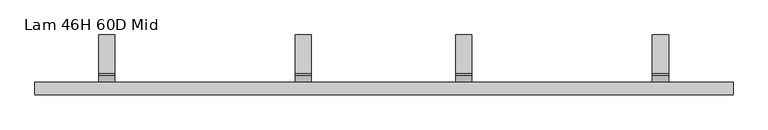
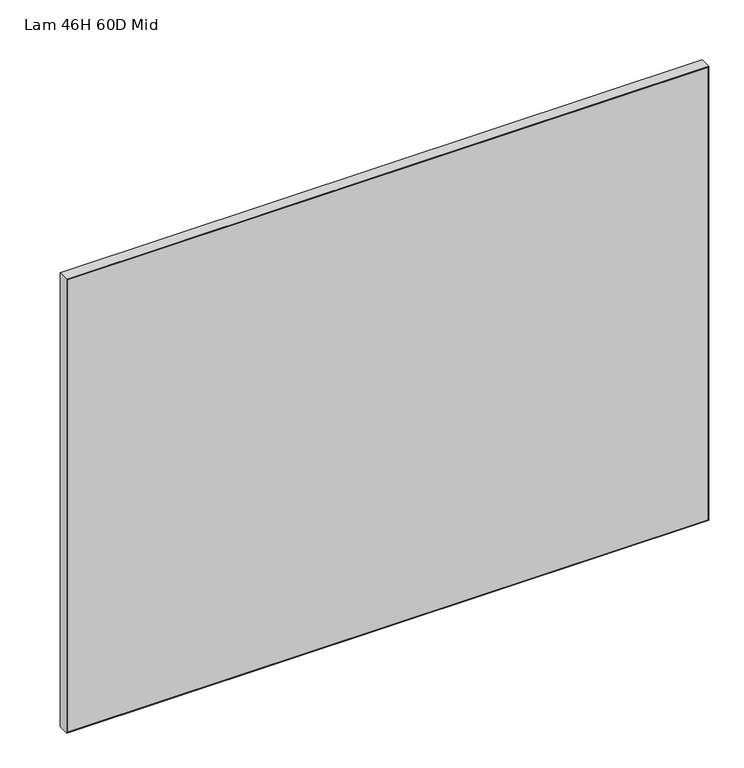
"""IFC4 building model written with IfcOpenShell, lengths in millimetres: furniture geometry, Lam 46H 60D Mid."""

import ifcopenshell
import ifcopenshell.guid

model = None  # the IFC model being written
_history = None  # IfcOwnerHistory: only IFC2X3 demands one
_inside = {}  # id of a spatial element -> (the spatial element, [elements in it])
_under = {}  # id of a project, library or spatial element -> (it, [spatial elements below it])
_declared = {}  # id of a project -> (the project, [libraries it declares])
_typed = {}  # id of a type object -> (the type object, [elements of that type])
_made_of = {}  # id of a material, layer set ... -> (it, [elements and type objects made of it])


def new_model(schema):
    """Start an empty IFC model of exactly this schema.

    Asked for "IFC4X3", IfcOpenShell would pick the latest addendum, in which some entities
    have other attributes; the version numbers below select the first issue.
    IFC2X3 requires an IfcOwnerHistory on every rooted entity: one is made here for all.
    """
    global model, _history
    if schema == "IFC4X3":
        model = ifcopenshell.file(schema_version=(4, 3, 0, 0))
    else:
        model = ifcopenshell.file(schema=schema)
    _inside.clear()
    _under.clear()
    _declared.clear()
    _typed.clear()
    _made_of.clear()
    _history = None
    if model.schema == "IFC2X3":
        org = make("IfcOrganization", Name="unknown")
        user = make(
            "IfcPersonAndOrganization",
            ThePerson=make("IfcPerson", FamilyName="unknown"),
            TheOrganization=org,
        )
        app = make(
            "IfcApplication",
            ApplicationDeveloper=org,
            Version="unknown",
            ApplicationFullName="unknown",
            ApplicationIdentifier="unknown",
        )
        _history = make(
            "IfcOwnerHistory",
            OwningUser=user,
            OwningApplication=app,
            ChangeAction="ADDED",
            CreationDate=0,
        )
    return model


def make(cls, **values):
    """One entity of the class cls with the attributes given. An attribute that is None is left unset."""
    return model.create_entity(
        cls, **{name: value for name, value in values.items() if value is not None}
    )


def rooted(cls, **values):
    """An entity with a GlobalId (a new one), such as an element, a storey or a relation."""
    return make(cls, GlobalId=ifcopenshell.guid.new(), OwnerHistory=_history, **values)


def si_unit(unit_type, name, prefix=None):
    """IfcSIUnit, for example si_unit("LENGTHUNIT", "METRE", prefix="MILLI")."""
    return make("IfcSIUnit", UnitType=unit_type, Prefix=prefix, Name=name)


def assignment(units):
    """IfcUnitAssignment: the units of a project."""
    return None if units is None else make("IfcUnitAssignment", Units=units)


def point(xyz):
    """IfcCartesianPoint."""
    return None if xyz is None else make("IfcCartesianPoint", Coordinates=xyz)


def direction(xyz):
    """IfcDirection."""
    return None if xyz is None else make("IfcDirection", DirectionRatios=xyz)


def frame(location, z_axis=None, x_axis=None):
    """IfcAxis2Placement3D, a coordinate frame: its origin and axes. An axis left out is left unset."""
    return make(
        "IfcAxis2Placement3D",
        Location=point(location),
        Axis=direction(z_axis),
        RefDirection=direction(x_axis),
    )


def origin():
    """The frame at (0, 0, 0) with its axes left unset."""
    return frame((0.0, 0.0, 0.0))


def place(relative_to, where):
    """IfcLocalPlacement: puts the frame where relative to a parent placement (None: the world)."""
    return make(
        "IfcLocalPlacement", PlacementRelTo=relative_to, RelativePlacement=where
    )


def context(
    kind, dimensions, precision=None, world=None, true_north=None, identifier=None
):
    """IfcGeometricRepresentationContext, for example the 3D "Model" context."""
    return make(
        "IfcGeometricRepresentationContext",
        ContextIdentifier=identifier,
        ContextType=kind,
        CoordinateSpaceDimension=dimensions,
        Precision=precision,
        WorldCoordinateSystem=world,
        TrueNorth=true_north,
    )


def project(units=None, contexts=None):
    """IfcProject with its units and contexts."""
    return rooted(
        "IfcProject",
        Name="project",
        RepresentationContexts=contexts,
        UnitsInContext=assignment(units),
    )


def spatial(cls, under=None, at=None, **own):
    """A site, building, storey or space (cls), placed at a placement, below another one or the project."""
    s = rooted(cls, ObjectPlacement=at, **own)
    if under is not None:
        _under.setdefault(under.id(), (under, []))[1].append(s)
    return s


def polyline(points):
    """IfcPolyline through the points."""
    return make("IfcPolyline", Points=[point(p) for p in points])


def circle_curve(where, radius):
    """IfcCircle in the frame where."""
    return make("IfcCircle", Position=where, Radius=radius)


def outline(outer, holes=None, kind="AREA"):
    """IfcArbitraryClosedProfileDef: a profile drawn as a closed curve; with holes, ...WithVoids."""
    if holes is None:
        return make("IfcArbitraryClosedProfileDef", ProfileType=kind, OuterCurve=outer)
    return make(
        "IfcArbitraryProfileDefWithVoids",
        ProfileType=kind,
        OuterCurve=outer,
        InnerCurves=holes,
    )


def extrude(swept, where, along, depth):
    """IfcExtrudedAreaSolid: the profile swept, set in the frame where, extruded along a direction by depth."""
    return make(
        "IfcExtrudedAreaSolid",
        SweptArea=swept,
        Position=where,
        ExtrudedDirection=direction(along),
        Depth=depth,
    )


def shape(context_of_items, identifier, shape_type, items):
    """IfcShapeRepresentation: the items that make up one representation, for example the "Body"."""
    return make(
        "IfcShapeRepresentation",
        ContextOfItems=context_of_items,
        RepresentationIdentifier=identifier,
        RepresentationType=shape_type,
        Items=items,
    )


def source(mapping_origin, context_of_items, identifier, shape_type, items):
    """IfcRepresentationMap: a shape defined once, which mapped items show again and again."""
    return make(
        "IfcRepresentationMap",
        MappingOrigin=mapping_origin,
        MappedRepresentation=shape(context_of_items, identifier, shape_type, items),
    )


def transform(
    local_origin,
    x_axis=None,
    y_axis=None,
    z_axis=None,
    scale=None,
    scale2=None,
    scale3=None,
    uniform=True,
):
    """IfcCartesianTransformationOperator3D, or its non-uniform kind. x_axis, y_axis, z_axis: its Axis1, 2, 3."""
    if uniform:
        return make(
            "IfcCartesianTransformationOperator3D",
            Axis1=direction(x_axis),
            Axis2=direction(y_axis),
            LocalOrigin=point(local_origin),
            Scale=scale,
            Axis3=direction(z_axis),
        )
    return make(
        "IfcCartesianTransformationOperator3DnonUniform",
        Axis1=direction(x_axis),
        Axis2=direction(y_axis),
        LocalOrigin=point(local_origin),
        Scale=scale,
        Axis3=direction(z_axis),
        Scale2=scale2,
        Scale3=scale3,
    )


def mapped(mapping_source, mapping_target):
    """IfcMappedItem: shows the shape of a source again, moved by a transform."""
    return make(
        "IfcMappedItem", MappingSource=mapping_source, MappingTarget=mapping_target
    )


def made_of(thing, what):
    """Note that an element or type object is made of a material, layer set ...; save() writes the relation."""
    if what is not None:
        _made_of.setdefault(what.id(), (what, []))[1].append(thing)
    return thing


def element(
    cls,
    number,
    at=None,
    inside=None,
    cuts=None,
    type_object=None,
    material=None,
    context=None,
    identifier="Body",
    shape_type=None,
    held_by="IfcProductDefinitionShape",
    body=None,
    shapes=None,
    **own,
):
    """One element of the class cls, such as IfcWall. Its Tag is "e" and its number.

    at: its placement. inside: the storey or other place that contains it. cuts: it is an
    opening in that element (IfcRelVoidsElement). A single representation is given by context,
    identifier, shape_type and body (its items); several are given by shapes. held_by: the class
    of the entity that holds the representations. save() writes the other relations.
    """
    e = rooted(cls, Tag="e%d" % number, ObjectPlacement=at, **own)
    if body is not None:
        shapes = [shape(context, identifier, shape_type, body)]
    if shapes is not None:
        e.Representation = make(held_by, Representations=shapes)
    if inside is not None:
        _inside.setdefault(inside.id(), (inside, []))[1].append(e)
    if cuts is not None:
        rooted(
            "IfcRelVoidsElement", RelatingBuildingElement=cuts, RelatedOpeningElement=e
        )
    if type_object is not None:
        _typed.setdefault(type_object.id(), (type_object, []))[1].append(e)
    return made_of(e, material)


def aggregate(whole, parts):
    """IfcRelAggregates: a whole, such as a stair, and the parts it consists of."""
    return rooted("IfcRelAggregates", RelatingObject=whole, RelatedObjects=parts)


def save(model, path):
    """Write the relations noted so far, then the file.

    IfcRelAggregates (storeys below a building ...), IfcRelContainedInSpatialStructure (elements
    in a storey), IfcRelDefinesByType, IfcRelAssociatesMaterial and IfcRelDeclares: one each for
    every whole, place, type object, material and project.
    """
    for whole, parts in _under.values():
        aggregate(whole, parts)
    for where, things in _inside.values():
        rooted(
            "IfcRelContainedInSpatialStructure",
            RelatedElements=things,
            RelatingStructure=where,
        )
    for kind, things in _typed.values():
        rooted("IfcRelDefinesByType", RelatedObjects=things, RelatingType=kind)
    for what, things in _made_of.values():
        rooted("IfcRelAssociatesMaterial", RelatedObjects=things, RelatingMaterial=what)
    for by, libraries in _declared.values():
        rooted("IfcRelDeclares", RelatingContext=by, RelatedDefinitions=libraries)
    model.write(path)


def plane_surface(at):
    """IfcPlane: the flat surface through the origin of the frame at, square to its z axis."""
    return make("IfcPlane", Position=at)


def cylinder_surface(at, radius):
    """IfcCylindricalSurface: all points at the distance radius from the z axis of the frame at."""
    return make("IfcCylindricalSurface", Position=at, Radius=radius)


def revolved_surface(curve, axis_point, axis_direction):
    """IfcSurfaceOfRevolution: the curve turned about the line through axis_point along axis_direction."""
    return make(
        "IfcSurfaceOfRevolution",
        SweptCurve=make("IfcArbitraryOpenProfileDef", ProfileType="CURVE", Curve=curve),
        AxisPosition=make("IfcAxis1Placement", Location=point(axis_point), Axis=direction(axis_direction)),
    )


def advanced_brep(points, edges, surfaces, faces):
    """IfcAdvancedBrep: a solid bounded by faces that lie on surfaces and meet in shared edges.

    An edge is (start, end): straight between two places in points (the first is 0);
    or (start, end, curve); or (start, end, curve, False) where it runs against its curve.
    A face is (place in surfaces, loops), or (place, loops, False) where it looks against
    its surface's normal. A loop lists edges by number (the first is 1), with a minus sign
    where the edge is run from its end to its start. The first loop is the outer one.
    """
    corners = [point(p) for p in points]
    vertices = [make("IfcVertexPoint", VertexGeometry=c) for c in corners]
    made = []
    for start, end, *more in edges:
        made.append(
            make(
                "IfcEdgeCurve",
                EdgeStart=vertices[start],
                EdgeEnd=vertices[end],
                EdgeGeometry=more[0] if more else make("IfcPolyline", Points=[corners[start], corners[end]]),
                SameSense=more[1] if len(more) > 1 else True,
            )
        )
    hull = []
    for where, loops, *sense in faces:
        bounds = []
        for j, loop in enumerate(loops):
            ring = [make("IfcOrientedEdge", EdgeElement=made[abs(k) - 1], Orientation=k > 0) for k in loop]
            bounds.append(
                make(
                    "IfcFaceOuterBound" if j == 0 else "IfcFaceBound",
                    Bound=make("IfcEdgeLoop", EdgeList=ring),
                    Orientation=True,
                )
            )
        hull.append(make("IfcAdvancedFace", Bounds=bounds, FaceSurface=surfaces[where], SameSense=sense[0] if sense else True))
    return make("IfcAdvancedBrep", Outer=make("IfcClosedShell", CfsFaces=hull))


def lam_46h_60d_mid_48277195(model_context):
    return source(origin(), model_context, "Body", "SolidModel", [
        advanced_brep(
        [(-157.6695087, 3.1005365, 621.4122963), (-157.6695087, 17.9486513, 647.1299785), (-157.6695087, 20.0496387, 648.342984), (-157.6695087, 103.1999902, 648.342984), (-157.6695087, 103.1999902, 651.0029961), (-157.6695087, 20.2944088, 651.0029961), (-157.6695087, 15.5226447, 648.2480172), (-157.6695087, 0.6287378, 622.4510214), (-157.6695087, 0.0, 620.1045406), (-157.6695087, 0.0, 582.522256), (-157.6695087, 2.6599881, 582.522256), (-157.6695087, 2.6599881, 619.7681476), (-192.6695072, 3.1005365, 621.4122963), (-192.6695072, 2.6599881, 619.7681476), (-192.6695072, 2.6599881, 582.522256), (-192.6695072, 0.0, 582.522256), (-192.6695072, 0.0, 620.1045406), (-192.6695072, 0.6287378, 622.4510214), (-192.6695072, 15.5226447, 648.2480172), (-192.6695072, 20.2944088, 651.0029961), (-192.6695072, 103.1999902, 651.0029961), (-192.6695072, 103.1999902, 648.342984), (-192.6695072, 20.0496387, 648.342984), (-192.6695072, 17.9486513, 647.1299785)],
        [
            (0, 1),
            (1, 2, circle_curve(frame((-157.6695087, 20.0496387, 645.9169725), z_axis=(-1.0, 0.0, 0.0), x_axis=(0.0, 1.0, 0.0)), 2.4260115)),
            (2, 3),
            (3, 4),
            (4, 5),
            (5, 6, circle_curve(frame((-157.6695087, 20.2944088, 645.493037), z_axis=(1.0, 0.0, 0.0), x_axis=(0.0, 1.0, 0.0)), 5.509959)),
            (6, 7),
            (7, 8, circle_curve(frame((-157.6695087, 4.6929606, 620.1045406), z_axis=(1.0, 0.0, 0.0), x_axis=(0.0, 1.0, 0.0)), 4.6929606)),
            (8, 9),
            (9, 10),
            (10, 11),
            (11, 0, circle_curve(frame((-157.6695087, 5.9482846, 619.7681476), z_axis=(-1.0, 0.0, 0.0), x_axis=(0.0, 1.0, 0.0)), 3.2882966)),
            (12, 13, circle_curve(frame((-192.6695072, 5.9482846, 619.7681476), z_axis=(1.0, 0.0, 0.0), x_axis=(0.0, 1.0, 0.0)), 3.2882966)),
            (13, 14),
            (14, 15),
            (15, 16),
            (16, 17, circle_curve(frame((-192.6695072, 4.6929606, 620.1045406), z_axis=(-1.0, 0.0, 0.0), x_axis=(0.0, 1.0, 0.0)), 4.6929606)),
            (17, 18),
            (18, 19, circle_curve(frame((-192.6695072, 20.2944088, 645.493037), z_axis=(-1.0, 0.0, 0.0), x_axis=(0.0, 1.0, 0.0)), 5.509959)),
            (19, 20),
            (20, 21),
            (21, 22),
            (22, 23, circle_curve(frame((-192.6695072, 20.0496387, 645.9169725), z_axis=(1.0, 0.0, 0.0), x_axis=(0.0, 1.0, 0.0)), 2.4260115)),
            (23, 12),
            (0, 12),
            (23, 1),
            (22, 2),
            (21, 3),
            (20, 4),
            (19, 5),
            (18, 6),
            (17, 7),
            (16, 8),
            (15, 9, circle_curve(frame((-175.169508, 0.0, 582.522256), z_axis=(0.0, -1.0, 0.0), x_axis=(1.0, 0.0, 0.0)), 17.4999992)),
            (13, 11),
            (10, 14, circle_curve(frame((-175.169508, 2.6599881, 582.522256), z_axis=(0.0, 1.0, 0.0), x_axis=(1.0, 0.0, 0.0)), 17.4999992)),
        ],
        [
            plane_surface(frame((-157.6695087, 17.9734882, 647.1729973), z_axis=(1.0000000000000002, 0.0, 0.0), x_axis=(0.0, 0.5000001014675702, 0.8660253452021018))),
            plane_surface(frame((-192.6695072, 17.9734882, 647.1729973), z_axis=(-1.0000000000000002, 0.0, 0.0), x_axis=(0.0, -0.5000001014675702, -0.8660253452021018))),
            plane_surface(frame((-157.6695087, 3.1005365, 621.4122963), z_axis=(0.0, 0.8660253452021018, -0.5000001014675702), x_axis=(-1.0, 0.0, 0.0))),
            revolved_surface(polyline([(-192.6695072, 22.4756502, 645.9169725), (-157.6695087, 22.4756502, 645.9169725)]), (-192.6695072, 20.0496387, 645.9169725), (-1.0, 0.0, 0.0)),
            plane_surface(frame((-157.6695087, 20.0496387, 648.342984), z_axis=(0.0, 0.0, -1.0), x_axis=(-1.0, 0.0, 0.0))),
            plane_surface(frame((-157.6695087, 103.1999902, 648.342984), z_axis=(0.0, 1.0, 0.0), x_axis=(-1.0, 0.0, 0.0))),
            plane_surface(frame((-157.6695087, 103.1999902, 651.0029961), z_axis=(0.0, 0.0, 1.0), x_axis=(-1.0, 0.0, 0.0))),
            cylinder_surface(frame((-192.6695072, 20.2944088, 645.493037), z_axis=(1.0, 0.0, 0.0), x_axis=(0.0, 1.0, 0.0)), 5.509959),
            plane_surface(frame((-157.6695087, 15.5226447, 648.2480172), z_axis=(0.0, -0.8660253393122759, 0.500000111669045), x_axis=(-1.0, 0.0, 0.0))),
            cylinder_surface(frame((-192.6695072, 4.6929606, 620.1045406), z_axis=(1.0, 0.0, 0.0), x_axis=(0.0, 1.0, 0.0)), 4.6929606),
            plane_surface(frame((-157.6695087, 0.0, 620.1045406), z_axis=(0.0, -1.0, 0.0), x_axis=(-1.0, 0.0, 0.0))),
            plane_surface(frame((-157.6695087, 2.6599881, 565.0222341), z_axis=(0.0, 1.0, 0.0), x_axis=(-1.0, 0.0, 0.0))),
            revolved_surface(polyline([(-192.6695072, 9.2365812, 619.7681476), (-157.6695087, 9.2365812, 619.7681476)]), (-192.6695072, 5.9482846, 619.7681476), (-1.0, 0.0, 0.0)),
            cylinder_surface(frame((-175.169508, 3.1750001, 582.522256), z_axis=(0.0, 1.0, 0.0), x_axis=(1.0, 0.0, 0.0)), 17.4999992),
        ],
        [
            (0, [[1, 2, 3, 4, 5, 6, 7, 8, 9, 10, 11, 12]]),
            (1, [[13, 14, 15, 16, 17, 18, 19, 20, 21, 22, 23, 24]]),
            (2, [[-1, 25, -24, 26]]),
            (3, [[-2, -26, -23, 27]]),
            (4, [[-3, -27, -22, 28]]),
            (5, [[-4, -28, -21, 29]]),
            (6, [[-5, -29, -20, 30]]),
            (7, [[-6, -30, -19, 31]]),
            (8, [[-7, -31, -18, 32]]),
            (9, [[-8, -32, -17, 33]]),
            (10, [[-33, -16, 34, -9]]),
            (11, [[35, -11, 36, -14]]),
            (12, [[-12, -35, -13, -25]]),
            (13, [[-10, -34, -15, -36]]),
        ],
    ),
        advanced_brep(
        [(190.9931097, 3.1005365, 621.4122963), (190.9931097, 17.9486513, 647.1299785), (190.9931097, 20.0496387, 648.342984), (190.9931097, 103.1999902, 648.342984), (190.9931097, 103.1999902, 651.0029961), (190.9931097, 20.2944088, 651.0029961), (190.9931097, 15.5226447, 648.2480172), (190.9931097, 0.6287378, 622.4510214), (190.9931097, 0.0, 620.1045406), (190.9931097, 0.0, 582.522256), (190.9931097, 2.6599881, 582.522256), (190.9931097, 2.6599881, 619.7681476), (155.9931112, 3.1005365, 621.4122963), (155.9931112, 2.6599881, 619.7681476), (155.9931112, 2.6599881, 582.522256), (155.9931112, 0.0, 582.522256), (155.9931112, 0.0, 620.1045406), (155.9931112, 0.6287378, 622.4510214), (155.9931112, 15.5226447, 648.2480172), (155.9931112, 20.2944088, 651.0029961), (155.9931112, 103.1999902, 651.0029961), (155.9931112, 103.1999902, 648.342984), (155.9931112, 20.0496387, 648.342984), (155.9931112, 17.9486513, 647.1299785)],
        [
            (0, 1),
            (1, 2, circle_curve(frame((190.9931097, 20.0496387, 645.9169725), z_axis=(-1.0, 0.0, 0.0), x_axis=(0.0, 1.0, 0.0)), 2.4260115)),
            (2, 3),
            (3, 4),
            (4, 5),
            (5, 6, circle_curve(frame((190.9931097, 20.2944088, 645.493037), z_axis=(1.0, 0.0, 0.0), x_axis=(0.0, 1.0, 0.0)), 5.509959)),
            (6, 7),
            (7, 8, circle_curve(frame((190.9931097, 4.6929606, 620.1045406), z_axis=(1.0, 0.0, 0.0), x_axis=(0.0, 1.0, 0.0)), 4.6929606)),
            (8, 9),
            (9, 10),
            (10, 11),
            (11, 0, circle_curve(frame((190.9931097, 5.9482846, 619.7681476), z_axis=(-1.0, 0.0, 0.0), x_axis=(0.0, 1.0, 0.0)), 3.2882966)),
            (12, 13, circle_curve(frame((155.9931112, 5.9482846, 619.7681476), z_axis=(1.0, 0.0, 0.0), x_axis=(0.0, 1.0, 0.0)), 3.2882966)),
            (13, 14),
            (14, 15),
            (15, 16),
            (16, 17, circle_curve(frame((155.9931112, 4.6929606, 620.1045406), z_axis=(-1.0, 0.0, 0.0), x_axis=(0.0, 1.0, 0.0)), 4.6929606)),
            (17, 18),
            (18, 19, circle_curve(frame((155.9931112, 20.2944088, 645.493037), z_axis=(-1.0, 0.0, 0.0), x_axis=(0.0, 1.0, 0.0)), 5.509959)),
            (19, 20),
            (20, 21),
            (21, 22),
            (22, 23, circle_curve(frame((155.9931112, 20.0496387, 645.9169725), z_axis=(1.0, 0.0, 0.0), x_axis=(0.0, 1.0, 0.0)), 2.4260115)),
            (23, 12),
            (0, 12),
            (23, 1),
            (22, 2),
            (21, 3),
            (20, 4),
            (19, 5),
            (18, 6),
            (17, 7),
            (16, 8),
            (15, 9, circle_curve(frame((173.4931105, 0.0, 582.522256), z_axis=(0.0, -1.0, 0.0), x_axis=(1.0, 0.0, 0.0)), 17.4999992)),
            (13, 11),
            (10, 14, circle_curve(frame((173.4931105, 2.6599881, 582.522256), z_axis=(0.0, 1.0, 0.0), x_axis=(1.0, 0.0, 0.0)), 17.4999992)),
        ],
        [
            plane_surface(frame((190.9931097, 17.9734882, 647.1729973), z_axis=(1.0000000000000002, 0.0, 0.0), x_axis=(0.0, 0.5000001014675702, 0.8660253452021018))),
            plane_surface(frame((155.9931112, 17.9734882, 647.1729973), z_axis=(-1.0000000000000002, 0.0, 0.0), x_axis=(0.0, -0.5000001014675702, -0.8660253452021018))),
            plane_surface(frame((190.9931097, 3.1005365, 621.4122963), z_axis=(0.0, 0.8660253452021018, -0.5000001014675702), x_axis=(-1.0, 0.0, 0.0))),
            revolved_surface(polyline([(155.9931112, 22.4756502, 645.9169725), (190.9931097, 22.4756502, 645.9169725)]), (155.9931112, 20.0496387, 645.9169725), (-1.0, 0.0, 0.0)),
            plane_surface(frame((190.9931097, 20.0496387, 648.342984), z_axis=(0.0, 0.0, -1.0), x_axis=(-1.0, 0.0, 0.0))),
            plane_surface(frame((190.9931097, 103.1999902, 648.342984), z_axis=(0.0, 1.0, 0.0), x_axis=(-1.0, 0.0, 0.0))),
            plane_surface(frame((190.9931097, 103.1999902, 651.0029961), z_axis=(0.0, 0.0, 1.0), x_axis=(-1.0, 0.0, 0.0))),
            cylinder_surface(frame((155.9931112, 20.2944088, 645.493037), z_axis=(1.0, 0.0, 0.0), x_axis=(0.0, 1.0, 0.0)), 5.509959),
            plane_surface(frame((190.9931097, 15.5226447, 648.2480172), z_axis=(0.0, -0.8660253393122759, 0.500000111669045), x_axis=(-1.0, 0.0, 0.0))),
            cylinder_surface(frame((155.9931112, 4.6929606, 620.1045406), z_axis=(1.0, 0.0, 0.0), x_axis=(0.0, 1.0, 0.0)), 4.6929606),
            plane_surface(frame((190.9931097, 0.0, 620.1045406), z_axis=(0.0, -1.0, 0.0), x_axis=(-1.0, 0.0, 0.0))),
            plane_surface(frame((190.9931097, 2.6599881, 565.0222341), z_axis=(0.0, 1.0, 0.0), x_axis=(-1.0, 0.0, 0.0))),
            revolved_surface(polyline([(155.9931112, 9.2365812, 619.7681476), (190.9931097, 9.2365812, 619.7681476)]), (155.9931112, 5.9482846, 619.7681476), (-1.0, 0.0, 0.0)),
            cylinder_surface(frame((173.4931105, 3.1750001, 582.522256), z_axis=(0.0, 1.0, 0.0), x_axis=(1.0, 0.0, 0.0)), 17.4999992),
        ],
        [
            (0, [[1, 2, 3, 4, 5, 6, 7, 8, 9, 10, 11, 12]]),
            (1, [[13, 14, 15, 16, 17, 18, 19, 20, 21, 22, 23, 24]]),
            (2, [[-1, 25, -24, 26]]),
            (3, [[-2, -26, -23, 27]]),
            (4, [[-3, -27, -22, 28]]),
            (5, [[-4, -28, -21, 29]]),
            (6, [[-5, -29, -20, 30]]),
            (7, [[-6, -30, -19, 31]]),
            (8, [[-7, -31, -18, 32]]),
            (9, [[-8, -32, -17, 33]]),
            (10, [[-33, -16, 34, -9]]),
            (11, [[35, -11, 36, -14]]),
            (12, [[-12, -35, -13, -25]]),
            (13, [[-10, -34, -15, -36]]),
        ],
    ),
        advanced_brep(
        [(618.6021097, 3.1005365, 621.4122963), (618.6021097, 17.9486513, 647.1299785), (618.6021097, 20.0496387, 648.342984), (618.6021097, 103.1999902, 648.342984), (618.6021097, 103.1999902, 651.0029961), (618.6021097, 20.2944088, 651.0029961), (618.6021097, 15.5226447, 648.2480172), (618.6021097, 0.6287378, 622.4510214), (618.6021097, 0.0, 620.1045406), (618.6021097, 0.0, 582.522256), (618.6021097, 2.6599881, 582.522256), (618.6021097, 2.6599881, 619.7681476), (583.6021112, 3.1005365, 621.4122963), (583.6021112, 2.6599881, 619.7681476), (583.6021112, 2.6599881, 582.522256), (583.6021112, 0.0, 582.522256), (583.6021112, 0.0, 620.1045406), (583.6021112, 0.6287378, 622.4510214), (583.6021112, 15.5226447, 648.2480172), (583.6021112, 20.2944088, 651.0029961), (583.6021112, 103.1999902, 651.0029961), (583.6021112, 103.1999902, 648.342984), (583.6021112, 20.0496387, 648.342984), (583.6021112, 17.9486513, 647.1299785)],
        [
            (0, 1),
            (1, 2, circle_curve(frame((618.6021097, 20.0496387, 645.9169725), z_axis=(-1.0, 0.0, 0.0), x_axis=(0.0, 1.0, 0.0)), 2.4260115)),
            (2, 3),
            (3, 4),
            (4, 5),
            (5, 6, circle_curve(frame((618.6021097, 20.2944088, 645.493037), z_axis=(1.0, 0.0, 0.0), x_axis=(0.0, 1.0, 0.0)), 5.509959)),
            (6, 7),
            (7, 8, circle_curve(frame((618.6021097, 4.6929606, 620.1045406), z_axis=(1.0, 0.0, 0.0), x_axis=(0.0, 1.0, 0.0)), 4.6929606)),
            (8, 9),
            (9, 10),
            (10, 11),
            (11, 0, circle_curve(frame((618.6021097, 5.9482846, 619.7681476), z_axis=(-1.0, 0.0, 0.0), x_axis=(0.0, 1.0, 0.0)), 3.2882966)),
            (12, 13, circle_curve(frame((583.6021112, 5.9482846, 619.7681476), z_axis=(1.0, 0.0, 0.0), x_axis=(0.0, 1.0, 0.0)), 3.2882966)),
            (13, 14),
            (14, 15),
            (15, 16),
            (16, 17, circle_curve(frame((583.6021112, 4.6929606, 620.1045406), z_axis=(-1.0, 0.0, 0.0), x_axis=(0.0, 1.0, 0.0)), 4.6929606)),
            (17, 18),
            (18, 19, circle_curve(frame((583.6021112, 20.2944088, 645.493037), z_axis=(-1.0, 0.0, 0.0), x_axis=(0.0, 1.0, 0.0)), 5.509959)),
            (19, 20),
            (20, 21),
            (21, 22),
            (22, 23, circle_curve(frame((583.6021112, 20.0496387, 645.9169725), z_axis=(1.0, 0.0, 0.0), x_axis=(0.0, 1.0, 0.0)), 2.4260115)),
            (23, 12),
            (0, 12),
            (23, 1),
            (22, 2),
            (21, 3),
            (20, 4),
            (19, 5),
            (18, 6),
            (17, 7),
            (16, 8),
            (15, 9, circle_curve(frame((601.1021105, 0.0, 582.522256), z_axis=(0.0, -1.0, 0.0), x_axis=(1.0, 0.0, 0.0)), 17.4999992)),
            (13, 11),
            (10, 14, circle_curve(frame((601.1021105, 2.6599881, 582.522256), z_axis=(0.0, 1.0, 0.0), x_axis=(1.0, 0.0, 0.0)), 17.4999992)),
        ],
        [
            plane_surface(frame((618.6021097, 17.9734882, 647.1729973), z_axis=(1.0000000000000002, 0.0, 0.0), x_axis=(0.0, 0.5000001014675702, 0.8660253452021018))),
            plane_surface(frame((583.6021112, 17.9734882, 647.1729973), z_axis=(-1.0000000000000002, 0.0, 0.0), x_axis=(0.0, -0.5000001014675702, -0.8660253452021018))),
            plane_surface(frame((618.6021097, 3.1005365, 621.4122963), z_axis=(0.0, 0.8660253452021018, -0.5000001014675702), x_axis=(-1.0, 0.0, 0.0))),
            revolved_surface(polyline([(583.6021112, 22.4756502, 645.9169725), (618.6021097, 22.4756502, 645.9169725)]), (583.6021112, 20.0496387, 645.9169725), (-1.0, 0.0, 0.0)),
            plane_surface(frame((618.6021097, 20.0496387, 648.342984), z_axis=(0.0, 0.0, -1.0), x_axis=(-1.0, 0.0, 0.0))),
            plane_surface(frame((618.6021097, 103.1999902, 648.342984), z_axis=(0.0, 1.0, 0.0), x_axis=(-1.0, 0.0, 0.0))),
            plane_surface(frame((618.6021097, 103.1999902, 651.0029961), z_axis=(0.0, 0.0, 1.0), x_axis=(-1.0, 0.0, 0.0))),
            cylinder_surface(frame((583.6021112, 20.2944088, 645.493037), z_axis=(1.0, 0.0, 0.0), x_axis=(0.0, 1.0, 0.0)), 5.509959),
            plane_surface(frame((618.6021097, 15.5226447, 648.2480172), z_axis=(0.0, -0.8660253393122759, 0.500000111669045), x_axis=(-1.0, 0.0, 0.0))),
            cylinder_surface(frame((583.6021112, 4.6929606, 620.1045406), z_axis=(1.0, 0.0, 0.0), x_axis=(0.0, 1.0, 0.0)), 4.6929606),
            plane_surface(frame((618.6021097, 0.0, 620.1045406), z_axis=(0.0, -1.0, 0.0), x_axis=(-1.0, 0.0, 0.0))),
            plane_surface(frame((618.6021097, 2.6599881, 565.0222341), z_axis=(0.0, 1.0, 0.0), x_axis=(-1.0, 0.0, 0.0))),
            revolved_surface(polyline([(583.6021112, 9.2365812, 619.7681476), (618.6021097, 9.2365812, 619.7681476)]), (583.6021112, 5.9482846, 619.7681476), (-1.0, 0.0, 0.0)),
            cylinder_surface(frame((601.1021105, 3.1750001, 582.522256), z_axis=(0.0, 1.0, 0.0), x_axis=(1.0, 0.0, 0.0)), 17.4999992),
        ],
        [
            (0, [[1, 2, 3, 4, 5, 6, 7, 8, 9, 10, 11, 12]]),
            (1, [[13, 14, 15, 16, 17, 18, 19, 20, 21, 22, 23, 24]]),
            (2, [[-1, 25, -24, 26]]),
            (3, [[-2, -26, -23, 27]]),
            (4, [[-3, -27, -22, 28]]),
            (5, [[-4, -28, -21, 29]]),
            (6, [[-5, -29, -20, 30]]),
            (7, [[-6, -30, -19, 31]]),
            (8, [[-7, -31, -18, 32]]),
            (9, [[-8, -32, -17, 33]]),
            (10, [[-33, -16, 34, -9]]),
            (11, [[35, -11, 36, -14]]),
            (12, [[-12, -35, -13, -25]]),
            (13, [[-10, -34, -15, -36]]),
        ],
    ),
        advanced_brep(
        [(-585.2785087, 3.1005365, 621.4122963), (-585.2785087, 17.9486513, 647.1299785), (-585.2785087, 20.0496387, 648.342984), (-585.2785087, 103.1999902, 648.342984), (-585.2785087, 103.1999902, 651.0029961), (-585.2785087, 20.2944088, 651.0029961), (-585.2785087, 15.5226447, 648.2480172), (-585.2785087, 0.6287378, 622.4510214), (-585.2785087, 0.0, 620.1045406), (-585.2785087, 0.0, 582.522256), (-585.2785087, 2.6599881, 582.522256), (-585.2785087, 2.6599881, 619.7681476), (-620.2785072, 3.1005365, 621.4122963), (-620.2785072, 2.6599881, 619.7681476), (-620.2785072, 2.6599881, 582.522256), (-620.2785072, 0.0, 582.522256), (-620.2785072, 0.0, 620.1045406), (-620.2785072, 0.6287378, 622.4510214), (-620.2785072, 15.5226447, 648.2480172), (-620.2785072, 20.2944088, 651.0029961), (-620.2785072, 103.1999902, 651.0029961), (-620.2785072, 103.1999902, 648.342984), (-620.2785072, 20.0496387, 648.342984), (-620.2785072, 17.9486513, 647.1299785)],
        [
            (0, 1),
            (1, 2, circle_curve(frame((-585.2785087, 20.0496387, 645.9169725), z_axis=(-1.0, 0.0, 0.0), x_axis=(0.0, 1.0, 0.0)), 2.4260115)),
            (2, 3),
            (3, 4),
            (4, 5),
            (5, 6, circle_curve(frame((-585.2785087, 20.2944088, 645.493037), z_axis=(1.0, 0.0, 0.0), x_axis=(0.0, 1.0, 0.0)), 5.509959)),
            (6, 7),
            (7, 8, circle_curve(frame((-585.2785087, 4.6929606, 620.1045406), z_axis=(1.0, 0.0, 0.0), x_axis=(0.0, 1.0, 0.0)), 4.6929606)),
            (8, 9),
            (9, 10),
            (10, 11),
            (11, 0, circle_curve(frame((-585.2785087, 5.9482846, 619.7681476), z_axis=(-1.0, 0.0, 0.0), x_axis=(0.0, 1.0, 0.0)), 3.2882966)),
            (12, 13, circle_curve(frame((-620.2785072, 5.9482846, 619.7681476), z_axis=(1.0, 0.0, 0.0), x_axis=(0.0, 1.0, 0.0)), 3.2882966)),
            (13, 14),
            (14, 15),
            (15, 16),
            (16, 17, circle_curve(frame((-620.2785072, 4.6929606, 620.1045406), z_axis=(-1.0, 0.0, 0.0), x_axis=(0.0, 1.0, 0.0)), 4.6929606)),
            (17, 18),
            (18, 19, circle_curve(frame((-620.2785072, 20.2944088, 645.493037), z_axis=(-1.0, 0.0, 0.0), x_axis=(0.0, 1.0, 0.0)), 5.509959)),
            (19, 20),
            (20, 21),
            (21, 22),
            (22, 23, circle_curve(frame((-620.2785072, 20.0496387, 645.9169725), z_axis=(1.0, 0.0, 0.0), x_axis=(0.0, 1.0, 0.0)), 2.4260115)),
            (23, 12),
            (0, 12),
            (23, 1),
            (22, 2),
            (21, 3),
            (20, 4),
            (19, 5),
            (18, 6),
            (17, 7),
            (16, 8),
            (15, 9, circle_curve(frame((-602.778508, 0.0, 582.522256), z_axis=(0.0, -1.0, 0.0), x_axis=(1.0, 0.0, 0.0)), 17.4999992)),
            (13, 11),
            (10, 14, circle_curve(frame((-602.778508, 2.6599881, 582.522256), z_axis=(0.0, 1.0, 0.0), x_axis=(1.0, 0.0, 0.0)), 17.4999992)),
        ],
        [
            plane_surface(frame((-585.2785087, 17.9734882, 647.1729973), z_axis=(1.0000000000000002, 0.0, 0.0), x_axis=(0.0, 0.5000001014675702, 0.8660253452021018))),
            plane_surface(frame((-620.2785072, 17.9734882, 647.1729973), z_axis=(-1.0000000000000002, 0.0, 0.0), x_axis=(0.0, -0.5000001014675702, -0.8660253452021018))),
            plane_surface(frame((-585.2785087, 3.1005365, 621.4122963), z_axis=(0.0, 0.8660253452021018, -0.5000001014675702), x_axis=(-1.0, 0.0, 0.0))),
            revolved_surface(polyline([(-620.2785072, 22.4756502, 645.9169725), (-585.2785087, 22.4756502, 645.9169725)]), (-620.2785072, 20.0496387, 645.9169725), (-1.0, 0.0, 0.0)),
            plane_surface(frame((-585.2785087, 20.0496387, 648.342984), z_axis=(0.0, 0.0, -1.0), x_axis=(-1.0, 0.0, 0.0))),
            plane_surface(frame((-585.2785087, 103.1999902, 648.342984), z_axis=(0.0, 1.0, 0.0), x_axis=(-1.0, 0.0, 0.0))),
            plane_surface(frame((-585.2785087, 103.1999902, 651.0029961), z_axis=(0.0, 0.0, 1.0), x_axis=(-1.0, 0.0, 0.0))),
            cylinder_surface(frame((-620.2785072, 20.2944088, 645.493037), z_axis=(1.0, 0.0, 0.0), x_axis=(0.0, 1.0, 0.0)), 5.509959),
            plane_surface(frame((-585.2785087, 15.5226447, 648.2480172), z_axis=(0.0, -0.8660253393122759, 0.500000111669045), x_axis=(-1.0, 0.0, 0.0))),
            cylinder_surface(frame((-620.2785072, 4.6929606, 620.1045406), z_axis=(1.0, 0.0, 0.0), x_axis=(0.0, 1.0, 0.0)), 4.6929606),
            plane_surface(frame((-585.2785087, 0.0, 620.1045406), z_axis=(0.0, -1.0, 0.0), x_axis=(-1.0, 0.0, 0.0))),
            plane_surface(frame((-585.2785087, 2.6599881, 565.0222341), z_axis=(0.0, 1.0, 0.0), x_axis=(-1.0, 0.0, 0.0))),
            revolved_surface(polyline([(-620.2785072, 9.2365812, 619.7681476), (-585.2785087, 9.2365812, 619.7681476)]), (-620.2785072, 5.9482846, 619.7681476), (-1.0, 0.0, 0.0)),
            cylinder_surface(frame((-602.778508, 3.1750001, 582.522256), z_axis=(0.0, 1.0, 0.0), x_axis=(1.0, 0.0, 0.0)), 17.4999992),
        ],
        [
            (0, [[1, 2, 3, 4, 5, 6, 7, 8, 9, 10, 11, 12]]),
            (1, [[13, 14, 15, 16, 17, 18, 19, 20, 21, 22, 23, 24]]),
            (2, [[-1, 25, -24, 26]]),
            (3, [[-2, -26, -23, 27]]),
            (4, [[-3, -27, -22, 28]]),
            (5, [[-4, -28, -21, 29]]),
            (6, [[-5, -29, -20, 30]]),
            (7, [[-6, -30, -19, 31]]),
            (8, [[-7, -31, -18, 32]]),
            (9, [[-8, -32, -17, 33]]),
            (10, [[-33, -16, 34, -9]]),
            (11, [[35, -11, 36, -14]]),
            (12, [[-12, -35, -13, -25]]),
            (13, [[-10, -34, -15, -36]]),
        ],
    ),
        extrude(outline(polyline([(13.9700003, -758.825), (13.9700003, 758.825), (1148.3340003, 758.825), (1148.3340003, -758.825), (13.9700003, -758.825)]), holes=[polyline([(1146.7338003, -757.2248), (1146.7338003, 757.2248), (15.5702003, 757.2248), (15.5702003, -757.2248), (1146.7338003, -757.2248)])]), frame((0.0, -26.670001, 0.0), z_axis=(0.0, 1.0, 0.0), x_axis=(0.0, 0.0, 1.0)), (0.0, 0.0, 1.0), 26.670001),
        extrude(outline(polyline([(757.2248, 0.0), (757.2248, -26.670001), (-757.2248, -26.670001), (-757.2248, 0.0), (757.2248, 0.0)])), frame((0.0, 0.0, 15.5702003), z_axis=(0.0, 0.0, 1.0), x_axis=(1.0, 0.0, 0.0)), (0.0, 0.0, 1.0), 1131.1636),
    ])


if __name__ == "__main__":
    model = new_model("IFC4")
    model_context = context("Model", 3, world=origin())
    ifc_project = project(units=[si_unit("LENGTHUNIT", "METRE", prefix="MILLI")], contexts=[model_context])
    site = spatial("IfcSite", under=ifc_project)
    building = spatial("IfcBuilding", under=site)
    placement = place(None, origin())
    lam_46h_60d_mid_shape = lam_46h_60d_mid_48277195(model_context)
    element("IfcFurniture", 1, ObjectType="Lam 46H 60D Mid", at=placement, inside=building, context=model_context, shape_type="MappedRepresentation", body=[
        mapped(lam_46h_60d_mid_shape, transform((0.0, 0.0, 0.0), x_axis=(1.0, 0.0, 0.0), y_axis=(0.0, 1.0, 0.0), z_axis=(0.0, 0.0, 1.0))),
    ])
    save(model, "model.ifc")
